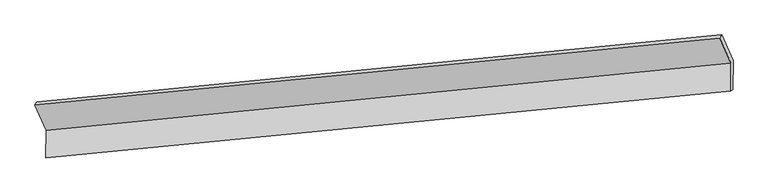
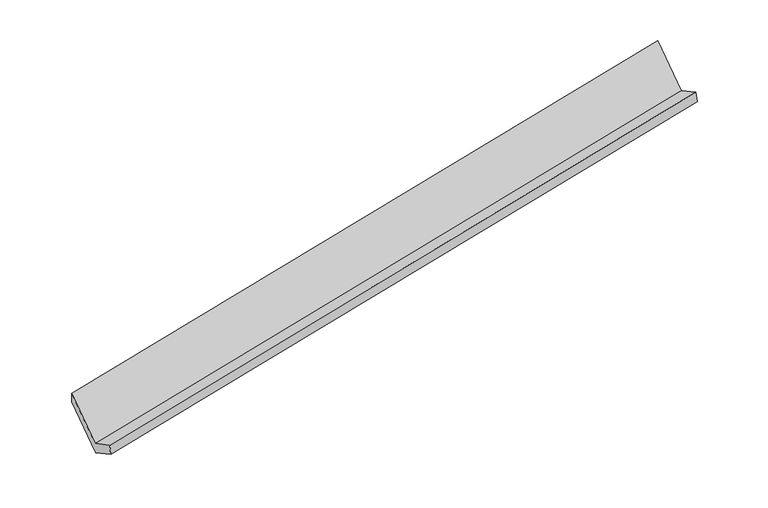
"""IFC4 building model written with IfcOpenShell, lengths in millimetres: proxy geometry."""

import ifcopenshell
import ifcopenshell.guid

model = None  # the IFC model being written
_history = None  # IfcOwnerHistory: only IFC2X3 demands one
_inside = {}  # id of a spatial element -> (the spatial element, [elements in it])
_under = {}  # id of a project, library or spatial element -> (it, [spatial elements below it])
_declared = {}  # id of a project -> (the project, [libraries it declares])
_typed = {}  # id of a type object -> (the type object, [elements of that type])
_made_of = {}  # id of a material, layer set ... -> (it, [elements and type objects made of it])


def new_model(schema):
    """Start an empty IFC model of exactly this schema.

    Asked for "IFC4X3", IfcOpenShell would pick the latest addendum, in which some entities
    have other attributes; the version numbers below select the first issue.
    IFC2X3 requires an IfcOwnerHistory on every rooted entity: one is made here for all.
    """
    global model, _history
    if schema == "IFC4X3":
        model = ifcopenshell.file(schema_version=(4, 3, 0, 0))
    else:
        model = ifcopenshell.file(schema=schema)
    _inside.clear()
    _under.clear()
    _declared.clear()
    _typed.clear()
    _made_of.clear()
    _history = None
    if model.schema == "IFC2X3":
        org = make("IfcOrganization", Name="unknown")
        user = make(
            "IfcPersonAndOrganization",
            ThePerson=make("IfcPerson", FamilyName="unknown"),
            TheOrganization=org,
        )
        app = make(
            "IfcApplication",
            ApplicationDeveloper=org,
            Version="unknown",
            ApplicationFullName="unknown",
            ApplicationIdentifier="unknown",
        )
        _history = make(
            "IfcOwnerHistory",
            OwningUser=user,
            OwningApplication=app,
            ChangeAction="ADDED",
            CreationDate=0,
        )
    return model


def make(cls, **values):
    """One entity of the class cls with the attributes given. An attribute that is None is left unset."""
    return model.create_entity(
        cls, **{name: value for name, value in values.items() if value is not None}
    )


def rooted(cls, **values):
    """An entity with a GlobalId (a new one), such as an element, a storey or a relation."""
    return make(cls, GlobalId=ifcopenshell.guid.new(), OwnerHistory=_history, **values)


def si_unit(unit_type, name, prefix=None):
    """IfcSIUnit, for example si_unit("LENGTHUNIT", "METRE", prefix="MILLI")."""
    return make("IfcSIUnit", UnitType=unit_type, Prefix=prefix, Name=name)


def assignment(units):
    """IfcUnitAssignment: the units of a project."""
    return None if units is None else make("IfcUnitAssignment", Units=units)


def point(xyz):
    """IfcCartesianPoint."""
    return None if xyz is None else make("IfcCartesianPoint", Coordinates=xyz)


def direction(xyz):
    """IfcDirection."""
    return None if xyz is None else make("IfcDirection", DirectionRatios=xyz)


def frame(location, z_axis=None, x_axis=None):
    """IfcAxis2Placement3D, a coordinate frame: its origin and axes. An axis left out is left unset."""
    return make(
        "IfcAxis2Placement3D",
        Location=point(location),
        Axis=direction(z_axis),
        RefDirection=direction(x_axis),
    )


def origin():
    """The frame at (0, 0, 0) with its axes left unset."""
    return frame((0.0, 0.0, 0.0))


def place(relative_to, where):
    """IfcLocalPlacement: puts the frame where relative to a parent placement (None: the world)."""
    return make(
        "IfcLocalPlacement", PlacementRelTo=relative_to, RelativePlacement=where
    )


def context(
    kind, dimensions, precision=None, world=None, true_north=None, identifier=None
):
    """IfcGeometricRepresentationContext, for example the 3D "Model" context."""
    return make(
        "IfcGeometricRepresentationContext",
        ContextIdentifier=identifier,
        ContextType=kind,
        CoordinateSpaceDimension=dimensions,
        Precision=precision,
        WorldCoordinateSystem=world,
        TrueNorth=true_north,
    )


def project(units=None, contexts=None):
    """IfcProject with its units and contexts."""
    return rooted(
        "IfcProject",
        Name="project",
        RepresentationContexts=contexts,
        UnitsInContext=assignment(units),
    )


def spatial(cls, under=None, at=None, **own):
    """A site, building, storey or space (cls), placed at a placement, below another one or the project."""
    s = rooted(cls, ObjectPlacement=at, **own)
    if under is not None:
        _under.setdefault(under.id(), (under, []))[1].append(s)
    return s


def faces_of(points, faces, orient=None, outer=None):
    """IfcFace entities. A face is a list of loops; a loop is a list of indices into points, from 0.

    orient and outer hold one flag for each loop. By default every Orientation is true, the
    first loop of a face is its IfcFaceOuterBound and the others are IfcFaceBound.
    """
    made = []
    for i, loops in enumerate(faces):
        bounds = []
        for j, loop in enumerate(loops):
            is_outer = j == 0 if outer is None else outer[i][j]
            bounds.append(
                make(
                    "IfcFaceOuterBound" if is_outer else "IfcFaceBound",
                    Bound=make("IfcPolyLoop", Polygon=[points[k] for k in loop]),
                    Orientation=True if orient is None else orient[i][j],
                )
            )
        made.append(make("IfcFace", Bounds=bounds))
    return made


def faceted_brep(points, faces, orient=None, outer=None, voids=None):
    """IfcFacetedBrep: a solid bounded by flat faces; with voids (closed shells), ...WithVoids."""
    shared = [point(p) for p in points]
    hull = make("IfcClosedShell", CfsFaces=faces_of(shared, faces, orient, outer))
    if voids is None:
        return make("IfcFacetedBrep", Outer=hull)
    return make(
        "IfcFacetedBrepWithVoids",
        Outer=hull,
        Voids=[
            make(cls, CfsFaces=faces_of(shared, fs, o, b)) for cls, fs, o, b in voids
        ],
    )


def shape(context_of_items, identifier, shape_type, items):
    """IfcShapeRepresentation: the items that make up one representation, for example the "Body"."""
    return make(
        "IfcShapeRepresentation",
        ContextOfItems=context_of_items,
        RepresentationIdentifier=identifier,
        RepresentationType=shape_type,
        Items=items,
    )


def source(mapping_origin, context_of_items, identifier, shape_type, items):
    """IfcRepresentationMap: a shape defined once, which mapped items show again and again."""
    return make(
        "IfcRepresentationMap",
        MappingOrigin=mapping_origin,
        MappedRepresentation=shape(context_of_items, identifier, shape_type, items),
    )


def transform(
    local_origin,
    x_axis=None,
    y_axis=None,
    z_axis=None,
    scale=None,
    scale2=None,
    scale3=None,
    uniform=True,
):
    """IfcCartesianTransformationOperator3D, or its non-uniform kind. x_axis, y_axis, z_axis: its Axis1, 2, 3."""
    if uniform:
        return make(
            "IfcCartesianTransformationOperator3D",
            Axis1=direction(x_axis),
            Axis2=direction(y_axis),
            LocalOrigin=point(local_origin),
            Scale=scale,
            Axis3=direction(z_axis),
        )
    return make(
        "IfcCartesianTransformationOperator3DnonUniform",
        Axis1=direction(x_axis),
        Axis2=direction(y_axis),
        LocalOrigin=point(local_origin),
        Scale=scale,
        Axis3=direction(z_axis),
        Scale2=scale2,
        Scale3=scale3,
    )


def mapped(mapping_source, mapping_target):
    """IfcMappedItem: shows the shape of a source again, moved by a transform."""
    return make(
        "IfcMappedItem", MappingSource=mapping_source, MappingTarget=mapping_target
    )


def made_of(thing, what):
    """Note that an element or type object is made of a material, layer set ...; save() writes the relation."""
    if what is not None:
        _made_of.setdefault(what.id(), (what, []))[1].append(thing)
    return thing


def element(
    cls,
    number,
    at=None,
    inside=None,
    cuts=None,
    type_object=None,
    material=None,
    context=None,
    identifier="Body",
    shape_type=None,
    held_by="IfcProductDefinitionShape",
    body=None,
    shapes=None,
    **own,
):
    """One element of the class cls, such as IfcWall. Its Tag is "e" and its number.

    at: its placement. inside: the storey or other place that contains it. cuts: it is an
    opening in that element (IfcRelVoidsElement). A single representation is given by context,
    identifier, shape_type and body (its items); several are given by shapes. held_by: the class
    of the entity that holds the representations. save() writes the other relations.
    """
    e = rooted(cls, Tag="e%d" % number, ObjectPlacement=at, **own)
    if body is not None:
        shapes = [shape(context, identifier, shape_type, body)]
    if shapes is not None:
        e.Representation = make(held_by, Representations=shapes)
    if inside is not None:
        _inside.setdefault(inside.id(), (inside, []))[1].append(e)
    if cuts is not None:
        rooted(
            "IfcRelVoidsElement", RelatingBuildingElement=cuts, RelatedOpeningElement=e
        )
    if type_object is not None:
        _typed.setdefault(type_object.id(), (type_object, []))[1].append(e)
    return made_of(e, material)


def aggregate(whole, parts):
    """IfcRelAggregates: a whole, such as a stair, and the parts it consists of."""
    return rooted("IfcRelAggregates", RelatingObject=whole, RelatedObjects=parts)


def save(model, path):
    """Write the relations noted so far, then the file.

    IfcRelAggregates (storeys below a building ...), IfcRelContainedInSpatialStructure (elements
    in a storey), IfcRelDefinesByType, IfcRelAssociatesMaterial and IfcRelDeclares: one each for
    every whole, place, type object, material and project.
    """
    for whole, parts in _under.values():
        aggregate(whole, parts)
    for where, things in _inside.values():
        rooted(
            "IfcRelContainedInSpatialStructure",
            RelatedElements=things,
            RelatingStructure=where,
        )
    for kind, things in _typed.values():
        rooted("IfcRelDefinesByType", RelatedObjects=things, RelatingType=kind)
    for what, things in _made_of.values():
        rooted("IfcRelAssociatesMaterial", RelatedObjects=things, RelatingMaterial=what)
    for by, libraries in _declared.values():
        rooted("IfcRelDeclares", RelatingContext=by, RelatedDefinitions=libraries)
    model.write(path)


def generic_models_336b6dd4(model_context):
    return source(origin(), model_context, "Body", "Brep", [
        faceted_brep([(-7482.0355329, -1967.1838751, 840.0436852), (-7483.3787097, -2345.9348706, 1044.3267707), (1832.1097755, -1433.1231873, 2829.5732675), (1833.4529522, -1054.3721917, 2625.290182), (-7453.441385, -2325.805646, 873.1662949), (1862.0471002, -1412.9939627, 2658.4127917), (-7452.0427995, -1931.4304331, 660.4561337), (1863.4456856, -1018.6187498, 2445.7026305), (-7607.5966616, -1579.3594516, 1312.1904569), (1707.8918236, -666.5477682, 3097.4369537), (-7634.0859479, -1623.0423788, 1477.0993839), (1681.4025373, -710.2306955, 3262.3458807)], [[[0, 1, 2, 3]], [[1, 4, 5, 2]], [[4, 6, 7, 5]], [[6, 8, 9, 7]], [[8, 10, 11, 9]], [[10, 0, 3, 11]], [[9, 11, 3, 2, 5, 7]], [[0, 10, 8, 6, 4, 1]]]),
    ])


if __name__ == "__main__":
    model = new_model("IFC4")
    model_context = context("Model", 3, world=origin())
    ifc_project = project(units=[si_unit("LENGTHUNIT", "METRE", prefix="MILLI")], contexts=[model_context])
    site = spatial("IfcSite", under=ifc_project)
    building = spatial("IfcBuilding", under=site)
    placement = place(None, origin())
    generic_models_shape = generic_models_336b6dd4(model_context)
    element("IfcBuildingElementProxy", 1, Name="Generic Models", at=placement, inside=building, context=model_context, shape_type="MappedRepresentation", body=[
        mapped(generic_models_shape, transform((0.0, 0.0, 0.0), x_axis=(1.0, 0.0, 0.0), y_axis=(0.0, 1.0, 0.0), z_axis=(0.0, 0.0, 1.0))),
    ])
    save(model, "model.ifc")
